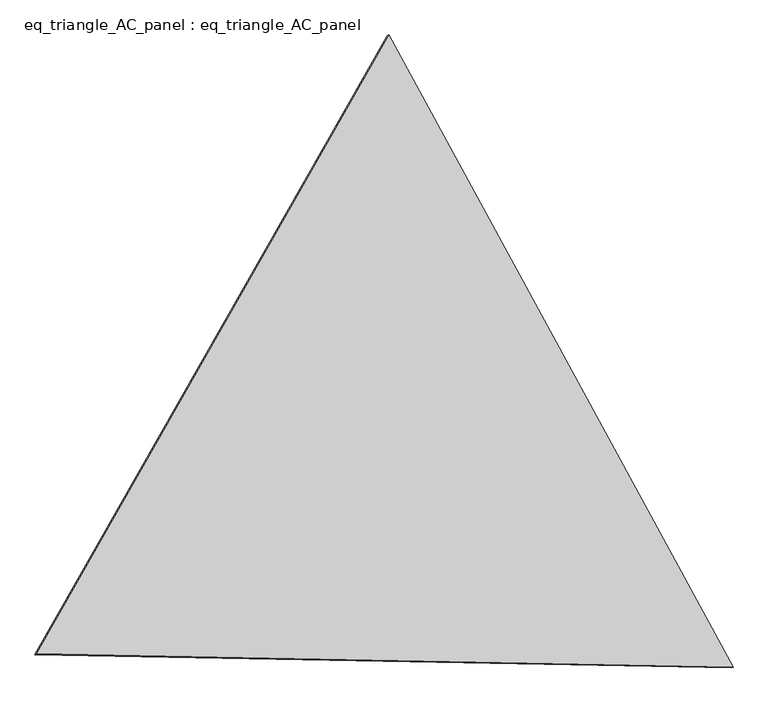
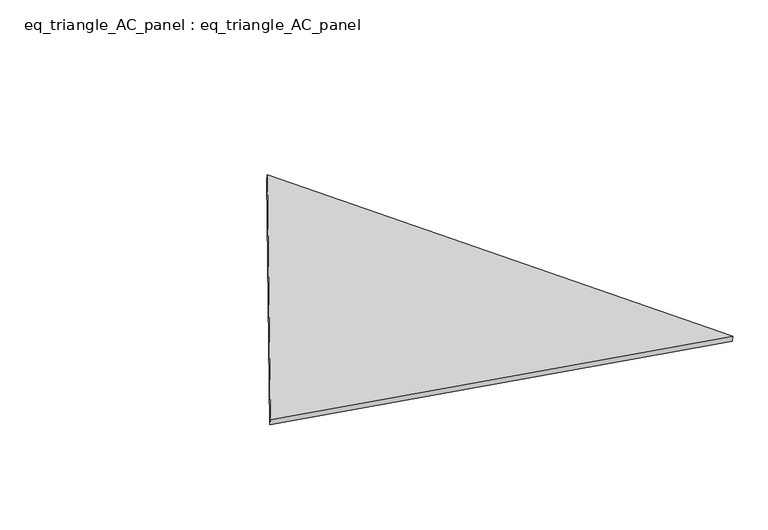
"""IFC4 building model written with IfcOpenShell, lengths in millimetres: proxy geometry, eq_triangle_AC_panel : eq_triangle_AC_panel."""

from ifc_helpers import new_model, si_unit, frame, origin, place, context, project, spatial, polyline, outline, extrude, source, transform, mapped, element, save


def eq_triangle_ac_panel_eq_triangle_ac_panel_57ba5774(model_context):
    return source(origin(), model_context, "Body", "SweptSolid", [
        extrude(outline(polyline([(-2091.2806317, 1173.1764347), (2032.8117098, 1173.1764346), (58.4689218, -2346.3528694), (-2091.2806317, 1173.1764347)])), frame((-6.3631761, 524.2531996, 46.6143561), z_axis=(0.1452632851804717, 0.08386570281802377, 0.9858321976226055), x_axis=(0.47857945251404166, -0.8780343203725016, 0.004176108159433921)), (0.0, 0.0, 1.0), 43.8306294),
    ])


if __name__ == "__main__":
    model = new_model("IFC4")
    model_context = context("Model", 3, world=origin())
    ifc_project = project(units=[si_unit("LENGTHUNIT", "METRE", prefix="MILLI")], contexts=[model_context])
    site = spatial("IfcSite", under=ifc_project)
    building = spatial("IfcBuilding", under=site)
    placement = place(None, origin())
    eq_triangle_ac_panel_eq_triangle_ac_panel_shape = eq_triangle_ac_panel_eq_triangle_ac_panel_57ba5774(model_context)
    element("IfcBuildingElementProxy", 1, Name="eq_triangle_AC_panel : eq_triangle_AC_panel", ObjectType="eq_triangle_AC_panel : eq_triangle_AC_panel", at=placement, inside=building, context=model_context, shape_type="MappedRepresentation", body=[
        mapped(eq_triangle_ac_panel_eq_triangle_ac_panel_shape, transform((0.0, 0.0, 0.0), x_axis=(1.0, 0.0, 0.0), y_axis=(0.0, 1.0, 0.0), z_axis=(0.0, 0.0, 1.0))),
    ])
    save(model, "model.ifc")
